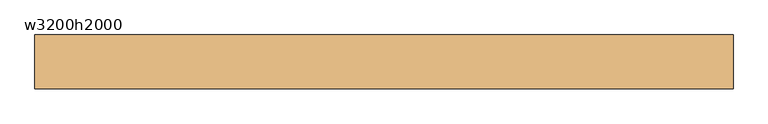
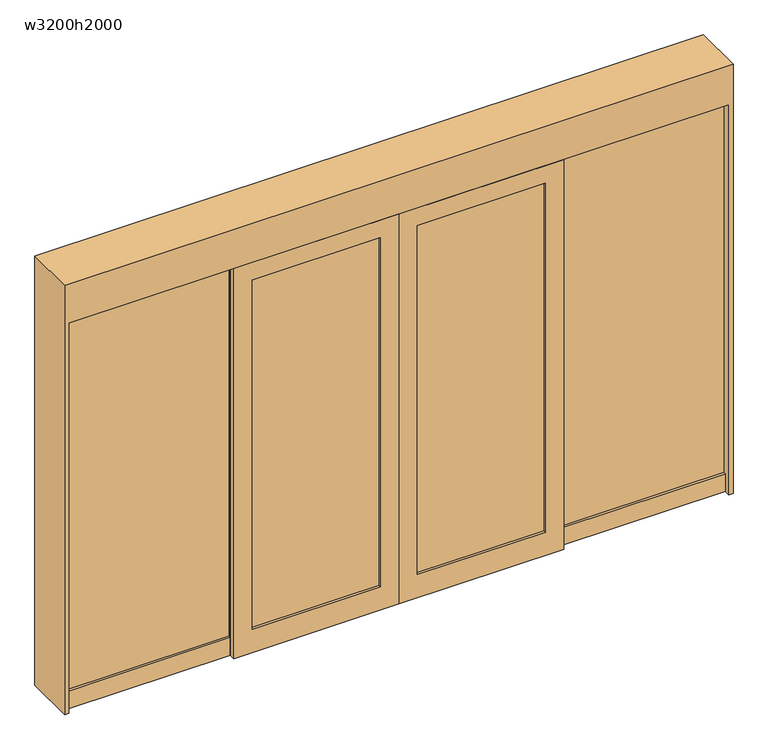
"""IFC4 building model written with IfcOpenShell, lengths in millimetres: door geometry, w3200h2000."""

from ifc_helpers import new_model, si_unit, frame, origin, origin_with_axes, place, context, project, spatial, polyline, outline, extrude, source, transform, mapped, element, save


def w3200h2000_1b36b607(model_context):
    return source(origin(), model_context, "Body", "SweptSolid", [
        extrude(outline(polyline([(-780.0, -65.0), (-780.0, -95.0), (-800.0173781, -95.0), (-800.0173781, -65.0), (-780.0, -65.0)])), origin_with_axes(), (0.0, 0.0, 1.0), 2000.0),
        extrude(outline(polyline([(800.0, -65.0), (800.0, -95.0), (780.0, -95.0), (780.0, -65.0), (800.0, -65.0)])), origin_with_axes(), (0.0, 0.0, 1.0), 2000.0),
        extrude(outline(polyline([(-800.0173781, -65.0), (-800.0173781, -95.0), (-1600.0, -95.0), (-1600.0, -65.0), (-800.0173781, -65.0)])), origin_with_axes(), (0.0, 0.0, 1.0), 90.0),
        extrude(outline(polyline([(1600.0, -65.0), (1600.0, -95.0), (800.0, -95.0), (800.0, -65.0), (1600.0, -65.0)])), origin_with_axes(), (0.0, 0.0, 1.0), 90.0),
        extrude(outline(polyline([(-800.0, -77.0), (-800.0, -83.0), (-1600.0, -83.0), (-1600.0, -77.0), (-800.0, -77.0)])), frame((0.0, 0.0, 90.0), z_axis=(0.0, 0.0, 1.0), x_axis=(1.0, 0.0, 0.0)), (0.0, 0.0, 1.0), 1910.0),
        extrude(outline(polyline([(1600.0, -77.0), (1600.0, -83.0), (800.0, -83.0), (800.0, -77.0), (1600.0, -77.0)])), frame((0.0, 0.0, 90.0), z_axis=(0.0, 0.0, 1.0), x_axis=(1.0, 0.0, 0.0)), (0.0, 0.0, 1.0), 1910.0),
        extrude(outline(polyline([(-90.0, -107.5), (-90.0, -112.5), (-710.0, -112.5), (-710.0, -107.5), (-90.0, -107.5)])), frame((0.0, 0.0, 120.0), z_axis=(0.0, 0.0, 1.0), x_axis=(1.0, 0.0, 0.0)), (0.0, 0.0, 1.0), 1790.0),
        extrude(outline(polyline([(710.0, -107.5), (710.0, -112.5), (90.0, -112.5), (90.0, -107.5), (710.0, -107.5)])), frame((0.0, 0.0, 120.0), z_axis=(0.0, 0.0, 1.0), x_axis=(1.0, 0.0, 0.0)), (0.0, 0.0, 1.0), 1790.0),
        extrude(outline(polyline([(2000.0, -0.0173781), (2000.0, -800.0173781), (0.0, -800.0173781), (0.0, -0.0173781), (2000.0, -0.0173781)]), holes=[polyline([(1910.0, -90.0173781), (120.0, -90.0173781), (120.0, -710.0173781), (1910.0, -710.0173781), (1910.0, -90.0173781)])]), frame((0.0, -125.0, 0.0), z_axis=(0.0, 1.0, 0.0), x_axis=(0.0, 0.0, 1.0)), (0.0, 0.0, 1.0), 30.0),
        extrude(outline(polyline([(2200.0, -1620.0), (0.0, -1620.0), (0.0, -1600.0), (2000.0, -1600.0), (2000.0, 1600.0), (0.0, 1600.0), (0.0, 1620.0), (2200.0, 1620.0), (2200.0, -1620.0)])), frame((0.0, -125.0, 0.0), z_axis=(0.0, 1.0, 0.0), x_axis=(0.0, 0.0, 1.0)), (0.0, 0.0, 1.0), 250.0),
        extrude(outline(polyline([(2000.0, 800.0), (2000.0, 0.0), (0.0, 0.0), (0.0, 800.0), (2000.0, 800.0)]), holes=[polyline([(1910.0, 710.0), (120.0, 710.0), (120.0, 90.0), (1910.0, 90.0), (1910.0, 710.0)])]), frame((0.0, -125.0, 0.0), z_axis=(0.0, 1.0, 0.0), x_axis=(0.0, 0.0, 1.0)), (0.0, 0.0, 1.0), 30.0),
    ])


if __name__ == "__main__":
    model = new_model("IFC4")
    model_context = context("Model", 3, world=origin())
    ifc_project = project(units=[si_unit("LENGTHUNIT", "METRE", prefix="MILLI")], contexts=[model_context])
    site = spatial("IfcSite", under=ifc_project)
    building = spatial("IfcBuilding", under=site)
    placement = place(None, origin())
    w3200h2000_shape = w3200h2000_1b36b607(model_context)
    element("IfcDoor", 1, ObjectType="w3200h2000", at=placement, inside=building, context=model_context, shape_type="MappedRepresentation", body=[
        mapped(w3200h2000_shape, transform((0.0, 0.0, 0.0), x_axis=(1.0, 0.0, 0.0), y_axis=(0.0, 1.0, 0.0), z_axis=(0.0, 0.0, 1.0))),
    ])
    save(model, "model.ifc")
